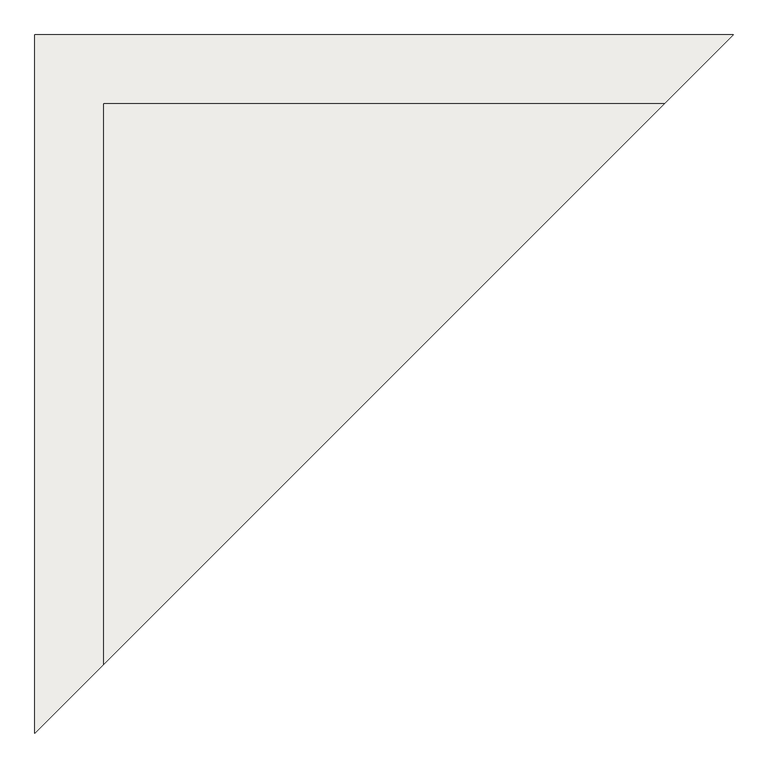
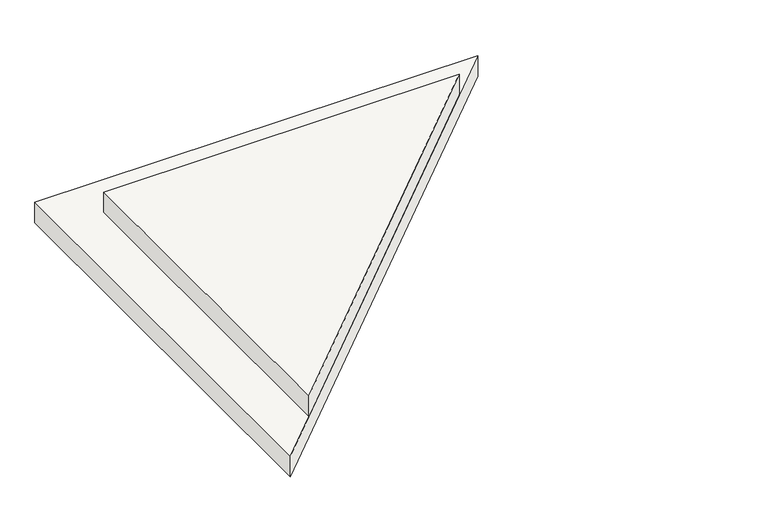
"""IFC4 building model written with IfcOpenShell, lengths in millimetres: slab geometry."""

from ifc_helpers import new_model, si_unit, frame, origin, origin_with_axes, place, context, project, spatial, polyline, outline, extrude, source, transform, mapped, element, save


def slab_8b1f8f24(model_context):
    return source(origin(), model_context, "Body", "SweptSolid", [
        extrude(outline(polyline([(-820.5570783, -9234.9268513), (-820.5570783, -6792.7544221), (1621.6153509, -6792.7544221), (-820.5570783, -9234.9268513)])), frame((0.0, 0.0, 150.0), z_axis=(0.0, 0.0, 1.0), x_axis=(1.0, 0.0, 0.0)), (0.0, 0.0, 1.0), 150.0),
        extrude(outline(polyline([(-1120.5570783, -9534.9268513), (-1120.5570783, -6492.7544221), (1921.6153509, -6492.7544221), (-1120.5570783, -9534.9268513)])), origin_with_axes(), (0.0, 0.0, 1.0), 150.0),
    ])


if __name__ == "__main__":
    model = new_model("IFC4")
    model_context = context("Model", 3, world=origin())
    ifc_project = project(units=[si_unit("LENGTHUNIT", "METRE", prefix="MILLI")], contexts=[model_context])
    site = spatial("IfcSite", under=ifc_project)
    building = spatial("IfcBuilding", under=site)
    placement = place(None, origin())
    slab_shape = slab_8b1f8f24(model_context)
    element("IfcSlab", 1, at=placement, inside=building, context=model_context, shape_type="MappedRepresentation", body=[
        mapped(slab_shape, transform((0.0, 0.0, 0.0), x_axis=(1.0, 0.0, 0.0), y_axis=(0.0, 1.0, 0.0), z_axis=(0.0, 0.0, 1.0))),
    ])
    save(model, "model.ifc")
